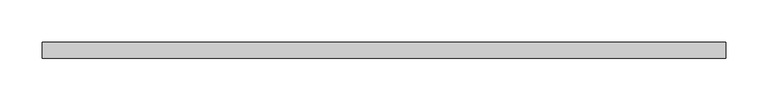
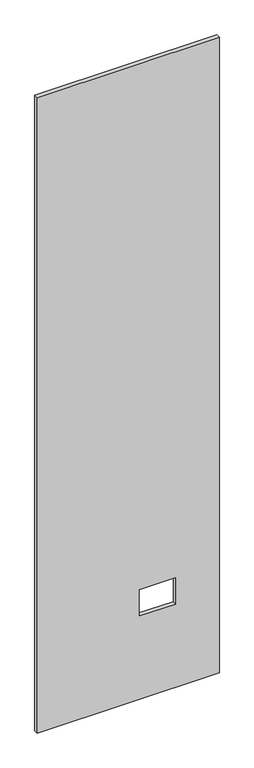
"""IFC4 building model written with IfcOpenShell, lengths in millimetres: proxy geometry."""

from ifc_helpers import new_model, si_unit, frame, origin, place, context, project, spatial, polyline, outline, extrude, source, transform, mapped, element, save


def specialty_equipment_5a8f5e62(model_context):
    return source(origin(), model_context, "Body", "SweptSolid", [
        extrude(outline(polyline([(2999.5368001, 406.3582328), (2999.5368001, -406.3582328), (3.175, -406.3582328), (3.175, 406.3582328), (2999.5368001, 406.3582328)]), holes=[polyline([(518.9474, 211.8868), (395.4526, 211.8868), (395.4526, 51.3588), (518.9474, 51.3588), (518.9474, 211.8868)])]), frame((0.0, -9.525, 0.0), z_axis=(0.0, 1.0, 0.0), x_axis=(0.0, 0.0, 1.0)), (0.0, 0.0, 1.0), 19.05),
    ])


if __name__ == "__main__":
    model = new_model("IFC4")
    model_context = context("Model", 3, world=origin())
    ifc_project = project(units=[si_unit("LENGTHUNIT", "METRE", prefix="MILLI")], contexts=[model_context])
    site = spatial("IfcSite", under=ifc_project)
    building = spatial("IfcBuilding", under=site)
    placement = place(None, origin())
    specialty_equipment_shape = specialty_equipment_5a8f5e62(model_context)
    element("IfcBuildingElementProxy", 1, Name="Specialty Equipment", at=placement, inside=building, context=model_context, shape_type="MappedRepresentation", body=[
        mapped(specialty_equipment_shape, transform((0.0, 0.0, 0.0), x_axis=(1.0, 0.0, 0.0), y_axis=(0.0, 1.0, 0.0), z_axis=(0.0, 0.0, 1.0))),
    ])
    save(model, "model.ifc")
